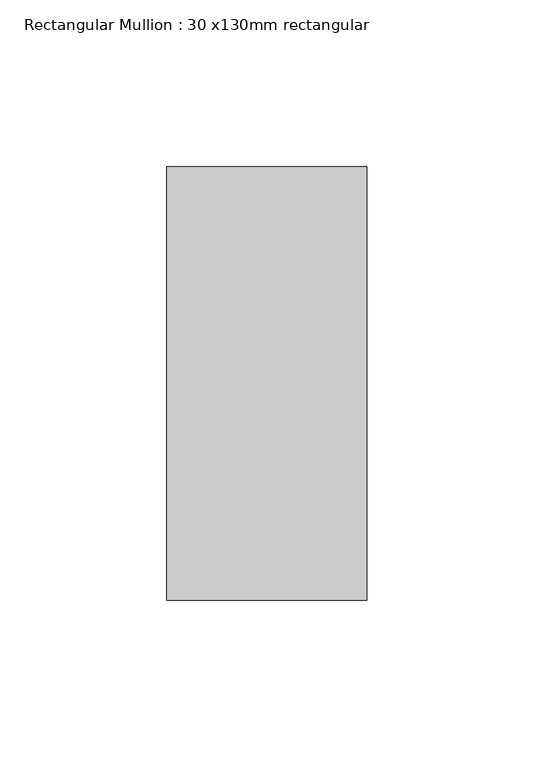
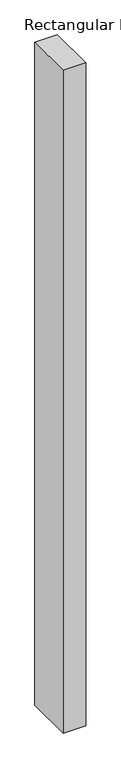
"""IFC4 building model written with IfcOpenShell, lengths in millimetres: member geometry, Rectangular Mullion : 30 x130mm rectangular."""

from ifc_helpers import new_model, si_unit, frame, origin, place, context, project, spatial, polyline, outline, extrude, source, transform, mapped, element, save


def rectangular_mullion_30_x130mm_rectangular_4ea8e035(model_context):
    return source(origin(), model_context, "Body", "SweptSolid", [
        extrude(outline(polyline([(0.0, 65.0), (0.0, -65.0), (-60.0, -65.0), (-60.0, 65.0), (0.0, 65.0)])), frame((0.0, 0.0, -1863.5807826), z_axis=(0.0, 0.0, 1.0), x_axis=(1.0, 0.0, 0.0)), (0.0, 0.0, 1.0), 1863.5807826),
    ])


if __name__ == "__main__":
    model = new_model("IFC4")
    model_context = context("Model", 3, world=origin())
    ifc_project = project(units=[si_unit("LENGTHUNIT", "METRE", prefix="MILLI")], contexts=[model_context])
    site = spatial("IfcSite", under=ifc_project)
    building = spatial("IfcBuilding", under=site)
    placement = place(None, origin())
    rectangular_mullion_30_x130mm_rectangular_shape = rectangular_mullion_30_x130mm_rectangular_4ea8e035(model_context)
    element("IfcMember", 1, ObjectType="Rectangular Mullion : 30 x130mm rectangular", at=placement, inside=building, context=model_context, shape_type="MappedRepresentation", body=[
        mapped(rectangular_mullion_30_x130mm_rectangular_shape, transform((0.0, 0.0, 0.0), x_axis=(1.0, 0.0, 0.0), y_axis=(0.0, 1.0, 0.0), z_axis=(0.0, 0.0, 1.0))),
    ])
    save(model, "model.ifc")
